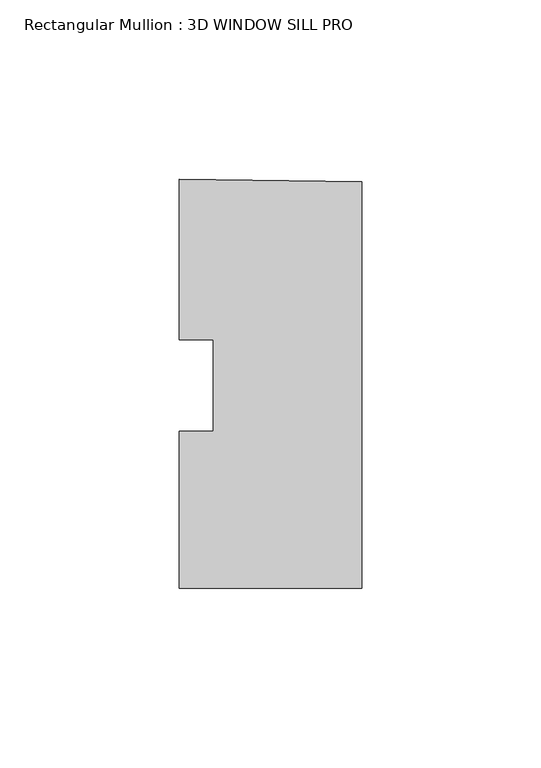
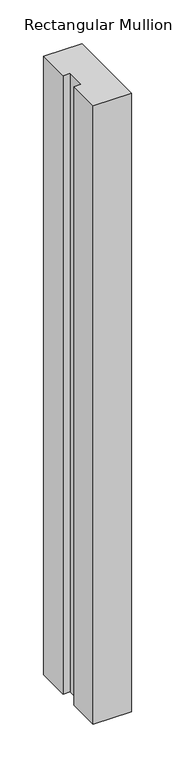
"""IFC4 building model written with IfcOpenShell, lengths in millimetres: member geometry, Rectangular Mullion : 3D WINDOW SILL PRO."""

from ifc_helpers import new_model, si_unit, frame, origin, place, context, project, spatial, polyline, outline, extrude, source, transform, mapped, element, save


def rectangular_mullion_3d_window_sill_pro_6f5e83ec(model_context):
    return source(origin(), model_context, "Body", "SweptSolid", [
        extrude(outline(polyline([(-25.4, -56.6383835), (-25.4, -12.8530497), (-15.875542, -12.8530497), (-15.875542, 12.6346487), (-25.3945923, 12.6346487), (-25.3945923, 57.3464983), (25.4, 56.6775616), (25.4, -56.6383835), (-25.4, -56.6383835)])), frame((0.0, 0.0, -865.4875586), z_axis=(0.0, 0.0, 1.0), x_axis=(1.0, 0.0, 0.0)), (0.0, 0.0, 1.0), 865.4875586),
    ])


if __name__ == "__main__":
    model = new_model("IFC4")
    model_context = context("Model", 3, world=origin())
    ifc_project = project(units=[si_unit("LENGTHUNIT", "METRE", prefix="MILLI")], contexts=[model_context])
    site = spatial("IfcSite", under=ifc_project)
    building = spatial("IfcBuilding", under=site)
    placement = place(None, origin())
    rectangular_mullion_3d_window_sill_pro_shape = rectangular_mullion_3d_window_sill_pro_6f5e83ec(model_context)
    element("IfcMember", 1, ObjectType="Rectangular Mullion : 3D WINDOW SILL PRO", at=placement, inside=building, context=model_context, shape_type="MappedRepresentation", body=[
        mapped(rectangular_mullion_3d_window_sill_pro_shape, transform((0.0, 0.0, 0.0), x_axis=(1.0, 0.0, 0.0), y_axis=(0.0, 1.0, 0.0), z_axis=(0.0, 0.0, 1.0))),
    ])
    save(model, "model.ifc")
